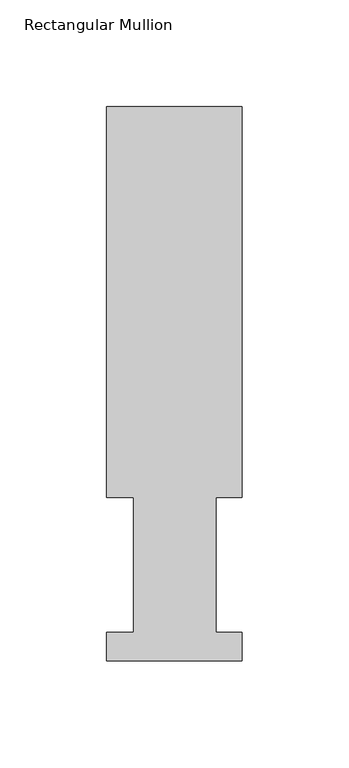
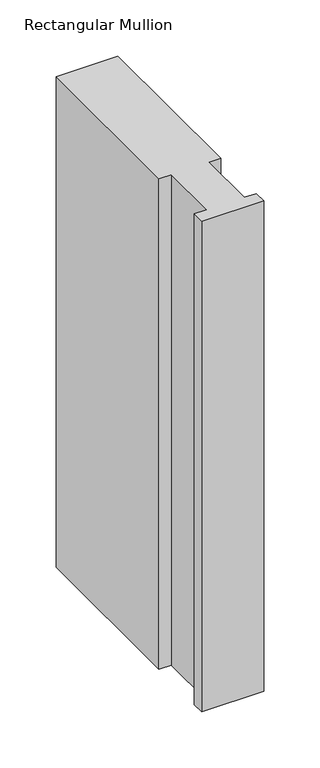
"""IFC4 building model written with IfcOpenShell, lengths in millimetres: member geometry, Rectangular Mullion."""

from ifc_helpers import new_model, si_unit, frame, origin, place, context, project, spatial, polyline, outline, extrude, source, transform, mapped, element, save


def rectangular_mullion_fd2d0a89(model_context):
    return source(origin(), model_context, "Body", "SweptSolid", [
        extrude(outline(polyline([(-63.5, 76.2992187), (-63.5, 259.4591074), (0.0, 259.4591074), (0.0, 76.2992187), (-12.3418395, 76.2992187), (-12.3418395, 13.1492189), (0.0, 13.1492189), (0.0, -0.0333811), (-63.5, -0.0333811), (-63.5, 13.1492189), (-50.8, 13.1492189), (-50.8, 76.2992187), (-63.5, 76.2992187)])), frame((0.0, 0.0, -533.36825), z_axis=(0.0, 0.0, 1.0), x_axis=(1.0, 0.0, 0.0)), (0.0, 0.0, 1.0), 533.36825),
    ])


if __name__ == "__main__":
    model = new_model("IFC4")
    model_context = context("Model", 3, world=origin())
    ifc_project = project(units=[si_unit("LENGTHUNIT", "METRE", prefix="MILLI")], contexts=[model_context])
    site = spatial("IfcSite", under=ifc_project)
    building = spatial("IfcBuilding", under=site)
    placement = place(None, origin())
    rectangular_mullion_shape = rectangular_mullion_fd2d0a89(model_context)
    element("IfcMember", 1, ObjectType="Rectangular Mullion", at=placement, inside=building, context=model_context, shape_type="MappedRepresentation", body=[
        mapped(rectangular_mullion_shape, transform((0.0, 0.0, 0.0), x_axis=(1.0, 0.0, 0.0), y_axis=(0.0, 1.0, 0.0), z_axis=(0.0, 0.0, 1.0))),
    ])
    save(model, "model.ifc")
